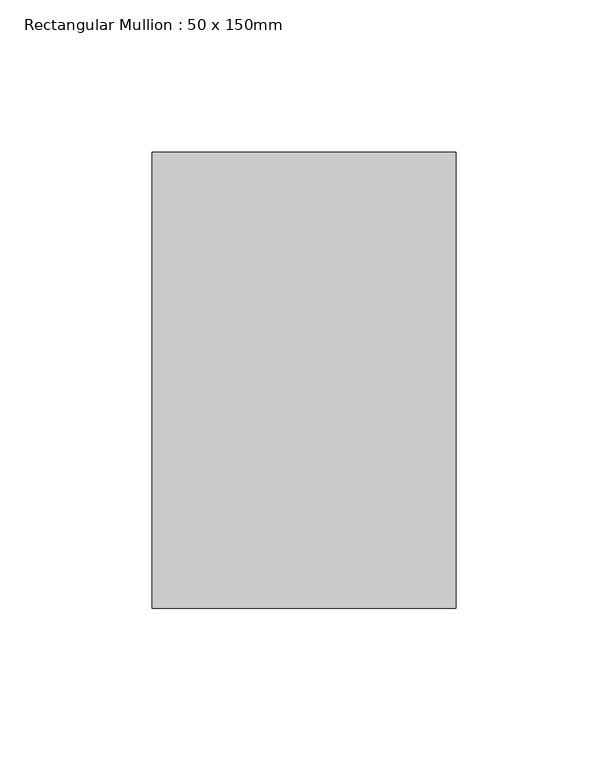
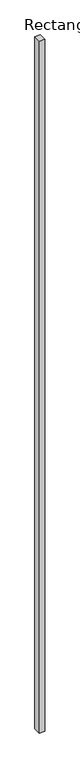
"""IFC4 building model written with IfcOpenShell, lengths in millimetres: member geometry, Rectangular Mullion : 50 x 150mm."""

from ifc_helpers import new_model, si_unit, frame, origin, place, context, project, spatial, polyline, outline, extrude, source, transform, mapped, element, save


def rectangular_mullion_50_x_150mm_855786d0(model_context):
    return source(origin(), model_context, "Body", "SweptSolid", [
        extrude(outline(polyline([(0.0, 75.0), (0.0, -75.0), (-100.0, -75.0), (-100.0, 75.0), (0.0, 75.0)])), frame((0.0, 0.0, -14052.6216632), z_axis=(0.0, 0.0, 1.0), x_axis=(1.0, 0.0, 0.0)), (0.0, 0.0, 1.0), 14052.6216632),
    ])


if __name__ == "__main__":
    model = new_model("IFC4")
    model_context = context("Model", 3, world=origin())
    ifc_project = project(units=[si_unit("LENGTHUNIT", "METRE", prefix="MILLI")], contexts=[model_context])
    site = spatial("IfcSite", under=ifc_project)
    building = spatial("IfcBuilding", under=site)
    placement = place(None, origin())
    rectangular_mullion_50_x_150mm_shape = rectangular_mullion_50_x_150mm_855786d0(model_context)
    element("IfcMember", 1, ObjectType="Rectangular Mullion : 50 x 150mm", at=placement, inside=building, context=model_context, shape_type="MappedRepresentation", body=[
        mapped(rectangular_mullion_50_x_150mm_shape, transform((0.0, 0.0, 0.0), x_axis=(1.0, 0.0, 0.0), y_axis=(0.0, 1.0, 0.0), z_axis=(0.0, 0.0, 1.0))),
    ])
    save(model, "model.ifc")
